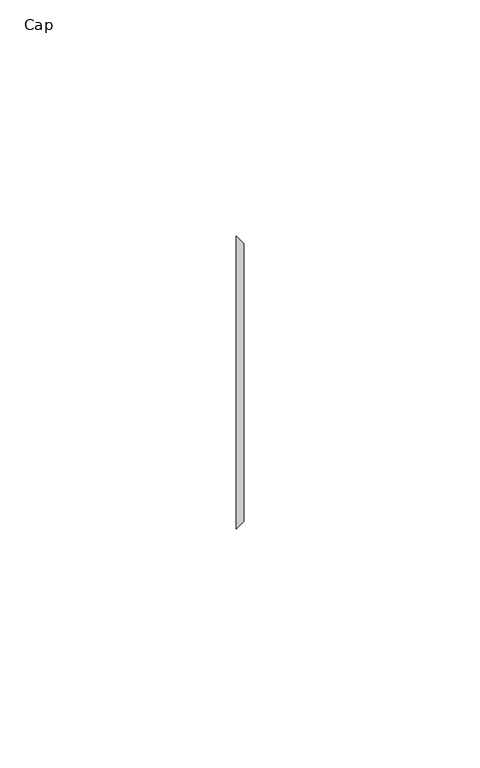
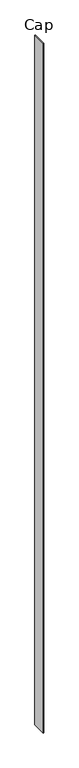
"""IFC4 building model written with IfcOpenShell, lengths in millimetres: furniture geometry, Cap."""

from ifc_helpers import new_model, si_unit, origin, origin_with_axes, place, context, project, spatial, polyline, outline, extrude, source, transform, mapped, element, save


def cap_69d45aec(model_context):
    return source(origin(), model_context, "Body", "SweptSolid", [
        extrude(outline(polyline([(29.9771531, 46.5601737), (31.5646531, 44.9726737), (31.5646531, -13.9690637), (29.9771531, -15.5565637), (29.9771531, 46.5601737)])), origin_with_axes(), (0.0, 0.0, 1.0), 3048.0),
    ])


if __name__ == "__main__":
    model = new_model("IFC4")
    model_context = context("Model", 3, world=origin())
    ifc_project = project(units=[si_unit("LENGTHUNIT", "METRE", prefix="MILLI")], contexts=[model_context])
    site = spatial("IfcSite", under=ifc_project)
    building = spatial("IfcBuilding", under=site)
    placement = place(None, origin())
    cap_shape = cap_69d45aec(model_context)
    element("IfcFurniture", 1, ObjectType="Cap", at=placement, inside=building, context=model_context, shape_type="MappedRepresentation", body=[
        mapped(cap_shape, transform((0.0, 0.0, 0.0), x_axis=(1.0, 0.0, 0.0), y_axis=(0.0, 1.0, 0.0), z_axis=(0.0, 0.0, 1.0))),
    ])
    save(model, "model.ifc")
